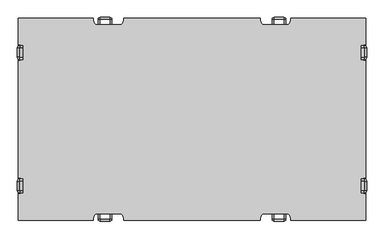
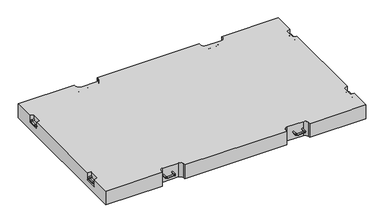
"""IFC4 building model written with IfcOpenShell, lengths in millimetres: proxy geometry."""

from ifc_helpers import new_model, si_unit, point, frame, origin, place, context, project, spatial, polyline, circle_curve, ellipse_curve, trimmed, source, transform, mapped, element, save
from ifc_brep_helpers import plane_surface, cylinder_surface, revolved_surface, advanced_brep


def generic_models_87fff968(model_context):
    return source(origin(), model_context, "Body", "AdvancedBrep", [
        advanced_brep(
        [(1456.8273434, 515.0, 115.0), (1456.8273434, 531.0, 115.0), (1485.0, 515.0, 115.0), (1485.0, 531.0, 115.0), (1489.0, 535.0, 115.0), (1505.0, 535.0, 115.0), (1505.0, 615.0, 115.0), (1489.0, 615.0, 115.0), (1485.0, 619.0, 115.0), (1485.0, 635.0, 115.0), (1456.8273434, 635.0, 115.0), (1456.8273434, 619.0, 115.0)],
        [
            (0, 1, circle_curve(frame((1456.8273434, 523.0, 115.0), z_axis=(-1.0, 0.0, 0.0), x_axis=(0.0, 1.0, 0.0)), 8.0)),
            (1, 0, circle_curve(frame((1456.8273434, 523.0, 115.0), z_axis=(-1.0, 0.0, 0.0), x_axis=(0.0, 1.0, 0.0)), 8.0)),
            (0, 2),
            (2, 3, circle_curve(frame((1485.0, 523.0, 115.0), z_axis=(-1.0, 0.0, 0.0), x_axis=(0.0, 1.0, 0.0)), 8.0)),
            (3, 1),
            (3, 2, circle_curve(frame((1485.0, 523.0, 115.0), z_axis=(-1.0, 0.0, 0.0), x_axis=(0.0, 1.0, 0.0)), 8.0)),
            (4, 3, circle_curve(frame((1485.0, 535.0, 115.0), z_axis=(0.0, 0.0, -1.0), x_axis=(0.0, -1.0, 0.0)), 4.0)),
            (2, 5, circle_curve(frame((1485.0, 535.0, 115.0), z_axis=(0.0, 0.0, 1.0), x_axis=(0.0, -1.0, 0.0)), 20.0)),
            (5, 4, circle_curve(frame((1497.0, 535.0, 115.0), z_axis=(0.0, -1.0, 0.0), x_axis=(-1.0, 0.0, 0.0)), 8.0)),
            (4, 5, circle_curve(frame((1497.0, 535.0, 115.0), z_axis=(0.0, -1.0, 0.0), x_axis=(-1.0, 0.0, 0.0)), 8.0)),
            (5, 6),
            (6, 7, circle_curve(frame((1497.0, 615.0, 115.0), z_axis=(0.0, -1.0, 0.0), x_axis=(-1.0, 0.0, 0.0)), 8.0)),
            (7, 4),
            (7, 6, circle_curve(frame((1497.0, 615.0, 115.0), z_axis=(0.0, -1.0, 0.0), x_axis=(-1.0, 0.0, 0.0)), 8.0)),
            (8, 7, circle_curve(frame((1485.0, 615.0, 115.0), z_axis=(0.0, 0.0, -1.0), x_axis=(1.0, 0.0, 0.0)), 4.0)),
            (6, 9, circle_curve(frame((1485.0, 615.0, 115.0), z_axis=(0.0, 0.0, 1.0), x_axis=(1.0, 0.0, 0.0)), 20.0)),
            (9, 8, circle_curve(frame((1485.0, 627.0, 115.0), z_axis=(1.0, 0.0, 0.0), x_axis=(0.0, -1.0, 0.0)), 8.0)),
            (8, 9, circle_curve(frame((1485.0, 627.0, 115.0), z_axis=(1.0, 0.0, 0.0), x_axis=(0.0, -1.0, 0.0)), 8.0)),
            (10, 11, circle_curve(frame((1456.8273434, 627.0, 115.0), z_axis=(-1.0, 0.0, 0.0), x_axis=(0.0, -1.0, 0.0)), 8.0)),
            (11, 10, circle_curve(frame((1456.8273434, 627.0, 115.0), z_axis=(-1.0, 0.0, 0.0), x_axis=(0.0, -1.0, 0.0)), 8.0)),
            (9, 10),
            (11, 8),
        ],
        [
            plane_surface(frame((1456.8273434, 515.0, 115.0), z_axis=(-1.0, 0.0, 0.0), x_axis=(0.0, 0.0, 1.0))),
            cylinder_surface(frame((1456.8273434, 523.0, 115.0), z_axis=(-1.0, 0.0, 0.0), x_axis=(0.0, 1.0, 0.0)), 8.0),
            revolved_surface(trimmed(ellipse_curve(frame((1485.0, 523.0, 115.0), z_axis=(-1.0, 0.0, 0.0), x_axis=(0.0, 1.0, 0.0)), 8.0, 8.0), [point((1485.0, 515.0, 115.0))], [point((1485.0, 531.0, 115.0))], True, "CARTESIAN"), (1485.0, 535.0, 115.0), (0.0, 0.0, 1.0)),
            revolved_surface(trimmed(ellipse_curve(frame((1485.0, 523.0, 115.0), z_axis=(-1.0, 0.0, 0.0), x_axis=(0.0, 1.0, 0.0)), 8.0, 8.0), [point((1485.0, 531.0, 115.0))], [point((1485.0, 515.0, 115.0))], True, "CARTESIAN"), (1485.0, 535.0, 115.0), (0.0, 0.0, 1.0)),
            cylinder_surface(frame((1497.0, 535.0, 115.0), z_axis=(0.0, -1.0, 0.0), x_axis=(-1.0, 0.0, 0.0)), 8.0),
            revolved_surface(trimmed(ellipse_curve(frame((1497.0, 615.0, 115.0), z_axis=(0.0, -1.0, 0.0), x_axis=(-1.0, 0.0, 0.0)), 8.0, 8.0), [point((1505.0, 615.0, 115.0))], [point((1489.0, 615.0, 115.0))], True, "CARTESIAN"), (1485.0, 615.0, 115.0), (0.0, 0.0, 1.0)),
            revolved_surface(trimmed(ellipse_curve(frame((1497.0, 615.0, 115.0), z_axis=(0.0, -1.0, 0.0), x_axis=(-1.0, 0.0, 0.0)), 8.0, 8.0), [point((1489.0, 615.0, 115.0))], [point((1505.0, 615.0, 115.0))], True, "CARTESIAN"), (1485.0, 615.0, 115.0), (0.0, 0.0, 1.0)),
            plane_surface(frame((1456.8273434, 635.0, 115.0), z_axis=(-1.0, 0.0, 0.0), x_axis=(0.0, 0.0, 1.0))),
            cylinder_surface(frame((1485.0, 627.0, 115.0), z_axis=(1.0, 0.0, 0.0), x_axis=(0.0, -1.0, 0.0)), 8.0),
        ],
        [
            (0, [[1, 2]]),
            (1, [[-1, 3, 4, 5]]),
            (1, [[-2, -5, 6, -3]]),
            (2, [[7, -4, 8, 9]]),
            (3, [[-8, -6, -7, 10]]),
            (4, [[-9, 11, 12, 13]]),
            (4, [[-10, -13, 14, -11]]),
            (5, [[15, -12, 16, 17]]),
            (6, [[-16, -14, -15, 18]]),
            (7, [[19, 20]]),
            (8, [[-17, 21, -20, 22]]),
            (8, [[-18, -22, -19, -21]]),
        ],
    ),
        advanced_brep(
        [(1456.8273434, -515.0, 115.0), (1456.8273434, -531.0, 115.0), (1485.0, -531.0, 115.0), (1485.0, -515.0, 115.0), (1489.0, -535.0, 115.0), (1505.0, -535.0, 115.0), (1489.0, -615.0, 115.0), (1505.0, -615.0, 115.0), (1485.0, -619.0, 115.0), (1485.0, -635.0, 115.0), (1456.8273434, -635.0, 115.0), (1456.8273434, -619.0, 115.0)],
        [
            (0, 1, circle_curve(frame((1456.8273434, -523.0, 115.0), z_axis=(-1.0, 0.0, 0.0), x_axis=(0.0, -1.0, 0.0)), 8.0)),
            (1, 0, circle_curve(frame((1456.8273434, -523.0, 115.0), z_axis=(-1.0, 0.0, 0.0), x_axis=(0.0, -1.0, 0.0)), 8.0)),
            (1, 2),
            (2, 3, circle_curve(frame((1485.0, -523.0, 115.0), z_axis=(-1.0, 0.0, 0.0), x_axis=(0.0, -1.0, 0.0)), 8.0)),
            (3, 0),
            (3, 2, circle_curve(frame((1485.0, -523.0, 115.0), z_axis=(-1.0, 0.0, 0.0), x_axis=(0.0, -1.0, 0.0)), 8.0)),
            (4, 5, circle_curve(frame((1497.0, -535.0, 115.0), z_axis=(0.0, 1.0, 0.0), x_axis=(-1.0, 0.0, 0.0)), 8.0)),
            (5, 3, circle_curve(frame((1485.0, -535.0, 115.0), z_axis=(0.0, 0.0, 1.0), x_axis=(0.0, 1.0, 0.0)), 20.0)),
            (2, 4, circle_curve(frame((1485.0, -535.0, 115.0), z_axis=(0.0, 0.0, -1.0), x_axis=(0.0, 1.0, 0.0)), 4.0)),
            (5, 4, circle_curve(frame((1497.0, -535.0, 115.0), z_axis=(0.0, 1.0, 0.0), x_axis=(-1.0, 0.0, 0.0)), 8.0)),
            (4, 6),
            (6, 7, circle_curve(frame((1497.0, -615.0, 115.0), z_axis=(0.0, 1.0, 0.0), x_axis=(-1.0, 0.0, 0.0)), 8.0)),
            (7, 5),
            (7, 6, circle_curve(frame((1497.0, -615.0, 115.0), z_axis=(0.0, 1.0, 0.0), x_axis=(-1.0, 0.0, 0.0)), 8.0)),
            (8, 9, circle_curve(frame((1485.0, -627.0, 115.0), z_axis=(1.0, 0.0, 0.0), x_axis=(0.0, 1.0, 0.0)), 8.0)),
            (9, 7, circle_curve(frame((1485.0, -615.0, 115.0), z_axis=(0.0, 0.0, 1.0), x_axis=(1.0, 0.0, 0.0)), 20.0)),
            (6, 8, circle_curve(frame((1485.0, -615.0, 115.0), z_axis=(0.0, 0.0, -1.0), x_axis=(1.0, 0.0, 0.0)), 4.0)),
            (9, 8, circle_curve(frame((1485.0, -627.0, 115.0), z_axis=(1.0, 0.0, 0.0), x_axis=(0.0, 1.0, 0.0)), 8.0)),
            (10, 11, circle_curve(frame((1456.8273434, -627.0, 115.0), z_axis=(-1.0, 0.0, 0.0), x_axis=(0.0, 1.0, 0.0)), 8.0)),
            (11, 10, circle_curve(frame((1456.8273434, -627.0, 115.0), z_axis=(-1.0, 0.0, 0.0), x_axis=(0.0, 1.0, 0.0)), 8.0)),
            (8, 11),
            (10, 9),
        ],
        [
            plane_surface(frame((1456.8273434, -515.0, 115.0), z_axis=(-1.0, 0.0, 0.0), x_axis=(0.0, 0.0, 1.0))),
            cylinder_surface(frame((1456.8273434, -523.0, 115.0), z_axis=(-1.0, 0.0, 0.0), x_axis=(0.0, -1.0, 0.0)), 8.0),
            revolved_surface(trimmed(ellipse_curve(frame((1485.0, -523.0, 115.0), z_axis=(1.0, 0.0, 0.0), x_axis=(0.0, -1.0, 0.0)), 8.0, 8.0), [point((1485.0, -515.0, 115.0))], [point((1485.0, -531.0, 115.0))], True, "CARTESIAN"), (1485.0, -535.0, 115.0), (0.0, 0.0, 1.0)),
            revolved_surface(trimmed(ellipse_curve(frame((1485.0, -523.0, 115.0), z_axis=(1.0, 0.0, 0.0), x_axis=(0.0, -1.0, 0.0)), 8.0, 8.0), [point((1485.0, -531.0, 115.0))], [point((1485.0, -515.0, 115.0))], True, "CARTESIAN"), (1485.0, -535.0, 115.0), (0.0, 0.0, 1.0)),
            cylinder_surface(frame((1497.0, -535.0, 115.0), z_axis=(0.0, 1.0, 0.0), x_axis=(-1.0, 0.0, 0.0)), 8.0),
            revolved_surface(trimmed(ellipse_curve(frame((1497.0, -615.0, 115.0), z_axis=(0.0, -1.0, 0.0), x_axis=(-1.0, 0.0, 0.0)), 8.0, 8.0), [point((1505.0, -615.0, 115.0))], [point((1489.0, -615.0, 115.0))], True, "CARTESIAN"), (1485.0, -615.0, 115.0), (0.0, 0.0, 1.0)),
            revolved_surface(trimmed(ellipse_curve(frame((1497.0, -615.0, 115.0), z_axis=(0.0, -1.0, 0.0), x_axis=(-1.0, 0.0, 0.0)), 8.0, 8.0), [point((1489.0, -615.0, 115.0))], [point((1505.0, -615.0, 115.0))], True, "CARTESIAN"), (1485.0, -615.0, 115.0), (0.0, 0.0, 1.0)),
            plane_surface(frame((1456.8273434, -635.0, 115.0), z_axis=(-1.0, 0.0, 0.0), x_axis=(0.0, 0.0, 1.0))),
            cylinder_surface(frame((1485.0, -627.0, 115.0), z_axis=(1.0, 0.0, 0.0), x_axis=(0.0, 1.0, 0.0)), 8.0),
        ],
        [
            (0, [[1, 2]]),
            (1, [[3, 4, 5, -2]]),
            (1, [[-5, 6, -3, -1]]),
            (2, [[7, 8, -4, 9]]),
            (3, [[10, -9, -6, -8]]),
            (4, [[11, 12, 13, -7]]),
            (4, [[-13, 14, -11, -10]]),
            (5, [[15, 16, -12, 17]]),
            (6, [[18, -17, -14, -16]]),
            (7, [[19, 20]]),
            (8, [[21, -19, 22, -15]]),
            (8, [[-22, -20, -21, -18]]),
        ],
    ),
        advanced_brep(
        [(-1456.8273434, 515.0, 115.0), (-1456.8273434, 531.0, 115.0), (-1485.0, 531.0, 115.0), (-1485.0, 515.0, 115.0), (-1489.0, 535.0, 115.0), (-1505.0, 535.0, 115.0), (-1489.0, 615.0, 115.0), (-1505.0, 615.0, 115.0), (-1485.0, 619.0, 115.0), (-1485.0, 635.0, 115.0), (-1456.8273434, 635.0, 115.0), (-1456.8273434, 619.0, 115.0)],
        [
            (0, 1, circle_curve(frame((-1456.8273434, 523.0, 115.0), z_axis=(1.0, 0.0, 0.0), x_axis=(0.0, 1.0, 0.0)), 8.0)),
            (1, 0, circle_curve(frame((-1456.8273434, 523.0, 115.0), z_axis=(1.0, 0.0, 0.0), x_axis=(0.0, 1.0, 0.0)), 8.0)),
            (1, 2),
            (2, 3, circle_curve(frame((-1485.0, 523.0, 115.0), z_axis=(1.0, 0.0, 0.0), x_axis=(0.0, 1.0, 0.0)), 8.0)),
            (3, 0),
            (3, 2, circle_curve(frame((-1485.0, 523.0, 115.0), z_axis=(1.0, 0.0, 0.0), x_axis=(0.0, 1.0, 0.0)), 8.0)),
            (4, 5, circle_curve(frame((-1497.0, 535.0, 115.0), z_axis=(0.0, -1.0, 0.0), x_axis=(1.0, 0.0, 0.0)), 8.0)),
            (5, 3, circle_curve(frame((-1485.0, 535.0, 115.0), z_axis=(0.0, 0.0, 1.0), x_axis=(0.0, -1.0, 0.0)), 20.0)),
            (2, 4, circle_curve(frame((-1485.0, 535.0, 115.0), z_axis=(0.0, 0.0, -1.0), x_axis=(0.0, -1.0, 0.0)), 4.0)),
            (5, 4, circle_curve(frame((-1497.0, 535.0, 115.0), z_axis=(0.0, -1.0, 0.0), x_axis=(1.0, 0.0, 0.0)), 8.0)),
            (4, 6),
            (6, 7, circle_curve(frame((-1497.0, 615.0, 115.0), z_axis=(0.0, -1.0, 0.0), x_axis=(1.0, 0.0, 0.0)), 8.0)),
            (7, 5),
            (7, 6, circle_curve(frame((-1497.0, 615.0, 115.0), z_axis=(0.0, -1.0, 0.0), x_axis=(1.0, 0.0, 0.0)), 8.0)),
            (8, 9, circle_curve(frame((-1485.0, 627.0, 115.0), z_axis=(-1.0, 0.0, 0.0), x_axis=(0.0, -1.0, 0.0)), 8.0)),
            (9, 7, circle_curve(frame((-1485.0, 615.0, 115.0), z_axis=(0.0, 0.0, 1.0), x_axis=(-1.0, 0.0, 0.0)), 20.0)),
            (6, 8, circle_curve(frame((-1485.0, 615.0, 115.0), z_axis=(0.0, 0.0, -1.0), x_axis=(-1.0, 0.0, 0.0)), 4.0)),
            (9, 8, circle_curve(frame((-1485.0, 627.0, 115.0), z_axis=(-1.0, 0.0, 0.0), x_axis=(0.0, -1.0, 0.0)), 8.0)),
            (10, 11, circle_curve(frame((-1456.8273434, 627.0, 115.0), z_axis=(1.0, 0.0, 0.0), x_axis=(0.0, -1.0, 0.0)), 8.0)),
            (11, 10, circle_curve(frame((-1456.8273434, 627.0, 115.0), z_axis=(1.0, 0.0, 0.0), x_axis=(0.0, -1.0, 0.0)), 8.0)),
            (8, 11),
            (10, 9),
        ],
        [
            plane_surface(frame((-1456.8273434, 515.0, 115.0), z_axis=(1.0, 0.0, 0.0), x_axis=(0.0, 0.0, 1.0))),
            cylinder_surface(frame((-1456.8273434, 523.0, 115.0), z_axis=(1.0, 0.0, 0.0), x_axis=(0.0, 1.0, 0.0)), 8.0),
            revolved_surface(trimmed(ellipse_curve(frame((-1485.0, 523.0, 115.0), z_axis=(-1.0, 0.0, 0.0), x_axis=(0.0, 1.0, 0.0)), 8.0, 8.0), [point((-1485.0, 515.0, 115.0))], [point((-1485.0, 531.0, 115.0))], True, "CARTESIAN"), (-1485.0, 535.0, 115.0), (0.0, 0.0, 1.0)),
            revolved_surface(trimmed(ellipse_curve(frame((-1485.0, 523.0, 115.0), z_axis=(-1.0, 0.0, 0.0), x_axis=(0.0, 1.0, 0.0)), 8.0, 8.0), [point((-1485.0, 531.0, 115.0))], [point((-1485.0, 515.0, 115.0))], True, "CARTESIAN"), (-1485.0, 535.0, 115.0), (0.0, 0.0, 1.0)),
            cylinder_surface(frame((-1497.0, 535.0, 115.0), z_axis=(0.0, -1.0, 0.0), x_axis=(1.0, 0.0, 0.0)), 8.0),
            revolved_surface(trimmed(ellipse_curve(frame((-1497.0, 615.0, 115.0), z_axis=(0.0, 1.0, 0.0), x_axis=(1.0, 0.0, 0.0)), 8.0, 8.0), [point((-1505.0, 615.0, 115.0))], [point((-1489.0, 615.0, 115.0))], True, "CARTESIAN"), (-1485.0, 615.0, 115.0), (0.0, 0.0, 1.0)),
            revolved_surface(trimmed(ellipse_curve(frame((-1497.0, 615.0, 115.0), z_axis=(0.0, 1.0, 0.0), x_axis=(1.0, 0.0, 0.0)), 8.0, 8.0), [point((-1489.0, 615.0, 115.0))], [point((-1505.0, 615.0, 115.0))], True, "CARTESIAN"), (-1485.0, 615.0, 115.0), (0.0, 0.0, 1.0)),
            plane_surface(frame((-1456.8273434, 635.0, 115.0), z_axis=(1.0, 0.0, 0.0), x_axis=(0.0, 0.0, 1.0))),
            cylinder_surface(frame((-1485.0, 627.0, 115.0), z_axis=(-1.0, 0.0, 0.0), x_axis=(0.0, -1.0, 0.0)), 8.0),
        ],
        [
            (0, [[1, 2]]),
            (1, [[3, 4, 5, -2]]),
            (1, [[-5, 6, -3, -1]]),
            (2, [[7, 8, -4, 9]]),
            (3, [[10, -9, -6, -8]]),
            (4, [[11, 12, 13, -7]]),
            (4, [[-13, 14, -11, -10]]),
            (5, [[15, 16, -12, 17]]),
            (6, [[18, -17, -14, -16]]),
            (7, [[19, 20]]),
            (8, [[21, -19, 22, -15]]),
            (8, [[-22, -20, -21, -18]]),
        ],
    ),
        advanced_brep(
        [(-1456.8273434, -515.0, 115.0), (-1456.8273434, -531.0, 115.0), (-1485.0, -515.0, 115.0), (-1485.0, -531.0, 115.0), (-1489.0, -535.0, 115.0), (-1505.0, -535.0, 115.0), (-1505.0, -615.0, 115.0), (-1489.0, -615.0, 115.0), (-1485.0, -619.0, 115.0), (-1485.0, -635.0, 115.0), (-1456.8273434, -635.0, 115.0), (-1456.8273434, -619.0, 115.0)],
        [
            (0, 1, circle_curve(frame((-1456.8273434, -523.0, 115.0), z_axis=(1.0, 0.0, 0.0), x_axis=(0.0, -1.0, 0.0)), 8.0)),
            (1, 0, circle_curve(frame((-1456.8273434, -523.0, 115.0), z_axis=(1.0, 0.0, 0.0), x_axis=(0.0, -1.0, 0.0)), 8.0)),
            (0, 2),
            (2, 3, circle_curve(frame((-1485.0, -523.0, 115.0), z_axis=(1.0, 0.0, 0.0), x_axis=(0.0, -1.0, 0.0)), 8.0)),
            (3, 1),
            (3, 2, circle_curve(frame((-1485.0, -523.0, 115.0), z_axis=(1.0, 0.0, 0.0), x_axis=(0.0, -1.0, 0.0)), 8.0)),
            (4, 3, circle_curve(frame((-1485.0, -535.0, 115.0), z_axis=(0.0, 0.0, -1.0), x_axis=(0.0, 1.0, 0.0)), 4.0)),
            (2, 5, circle_curve(frame((-1485.0, -535.0, 115.0), z_axis=(0.0, 0.0, 1.0), x_axis=(0.0, 1.0, 0.0)), 20.0)),
            (5, 4, circle_curve(frame((-1497.0, -535.0, 115.0), z_axis=(0.0, 1.0, 0.0), x_axis=(1.0, 0.0, 0.0)), 8.0)),
            (4, 5, circle_curve(frame((-1497.0, -535.0, 115.0), z_axis=(0.0, 1.0, 0.0), x_axis=(1.0, 0.0, 0.0)), 8.0)),
            (5, 6),
            (6, 7, circle_curve(frame((-1497.0, -615.0, 115.0), z_axis=(0.0, 1.0, 0.0), x_axis=(1.0, 0.0, 0.0)), 8.0)),
            (7, 4),
            (7, 6, circle_curve(frame((-1497.0, -615.0, 115.0), z_axis=(0.0, 1.0, 0.0), x_axis=(1.0, 0.0, 0.0)), 8.0)),
            (8, 7, circle_curve(frame((-1485.0, -615.0, 115.0), z_axis=(0.0, 0.0, -1.0), x_axis=(-1.0, 0.0, 0.0)), 4.0)),
            (6, 9, circle_curve(frame((-1485.0, -615.0, 115.0), z_axis=(0.0, 0.0, 1.0), x_axis=(-1.0, 0.0, 0.0)), 20.0)),
            (9, 8, circle_curve(frame((-1485.0, -627.0, 115.0), z_axis=(-1.0, 0.0, 0.0), x_axis=(0.0, 1.0, 0.0)), 8.0)),
            (8, 9, circle_curve(frame((-1485.0, -627.0, 115.0), z_axis=(-1.0, 0.0, 0.0), x_axis=(0.0, 1.0, 0.0)), 8.0)),
            (10, 11, circle_curve(frame((-1456.8273434, -627.0, 115.0), z_axis=(1.0, 0.0, 0.0), x_axis=(0.0, 1.0, 0.0)), 8.0)),
            (11, 10, circle_curve(frame((-1456.8273434, -627.0, 115.0), z_axis=(1.0, 0.0, 0.0), x_axis=(0.0, 1.0, 0.0)), 8.0)),
            (9, 10),
            (11, 8),
        ],
        [
            plane_surface(frame((-1456.8273434, -515.0, 115.0), z_axis=(1.0, 0.0, 0.0), x_axis=(0.0, 0.0, 1.0))),
            cylinder_surface(frame((-1456.8273434, -523.0, 115.0), z_axis=(1.0, 0.0, 0.0), x_axis=(0.0, -1.0, 0.0)), 8.0),
            revolved_surface(trimmed(ellipse_curve(frame((-1485.0, -523.0, 115.0), z_axis=(1.0, 0.0, 0.0), x_axis=(0.0, -1.0, 0.0)), 8.0, 8.0), [point((-1485.0, -515.0, 115.0))], [point((-1485.0, -531.0, 115.0))], True, "CARTESIAN"), (-1485.0, -535.0, 115.0), (0.0, 0.0, 1.0)),
            revolved_surface(trimmed(ellipse_curve(frame((-1485.0, -523.0, 115.0), z_axis=(1.0, 0.0, 0.0), x_axis=(0.0, -1.0, 0.0)), 8.0, 8.0), [point((-1485.0, -531.0, 115.0))], [point((-1485.0, -515.0, 115.0))], True, "CARTESIAN"), (-1485.0, -535.0, 115.0), (0.0, 0.0, 1.0)),
            cylinder_surface(frame((-1497.0, -535.0, 115.0), z_axis=(0.0, 1.0, 0.0), x_axis=(1.0, 0.0, 0.0)), 8.0),
            revolved_surface(trimmed(ellipse_curve(frame((-1497.0, -615.0, 115.0), z_axis=(0.0, 1.0, 0.0), x_axis=(1.0, 0.0, 0.0)), 8.0, 8.0), [point((-1505.0, -615.0, 115.0))], [point((-1489.0, -615.0, 115.0))], True, "CARTESIAN"), (-1485.0, -615.0, 115.0), (0.0, 0.0, 1.0)),
            revolved_surface(trimmed(ellipse_curve(frame((-1497.0, -615.0, 115.0), z_axis=(0.0, 1.0, 0.0), x_axis=(1.0, 0.0, 0.0)), 8.0, 8.0), [point((-1489.0, -615.0, 115.0))], [point((-1505.0, -615.0, 115.0))], True, "CARTESIAN"), (-1485.0, -615.0, 115.0), (0.0, 0.0, 1.0)),
            plane_surface(frame((-1456.8273434, -635.0, 115.0), z_axis=(1.0, 0.0, 0.0), x_axis=(0.0, 0.0, 1.0))),
            cylinder_surface(frame((-1485.0, -627.0, 115.0), z_axis=(-1.0, 0.0, 0.0), x_axis=(0.0, 1.0, 0.0)), 8.0),
        ],
        [
            (0, [[1, 2]]),
            (1, [[-1, 3, 4, 5]]),
            (1, [[-2, -5, 6, -3]]),
            (2, [[7, -4, 8, 9]]),
            (3, [[-8, -6, -7, 10]]),
            (4, [[-9, 11, 12, 13]]),
            (4, [[-10, -13, 14, -11]]),
            (5, [[15, -12, 16, 17]]),
            (6, [[-16, -14, -15, 18]]),
            (7, [[19, 20]]),
            (8, [[-17, 21, -20, 22]]),
            (8, [[-18, -22, -19, -21]]),
        ],
    ),
        advanced_brep(
        [(810.0, 815.0, 85.0), (794.0, 815.0, 85.0), (810.0, 860.0, 85.0), (794.0, 860.0, 85.0), (790.0, 864.0, 85.0), (790.0, 880.0, 85.0), (710.0, 880.0, 85.0), (710.0, 864.0, 85.0), (690.0, 815.0, 85.0), (706.0, 815.0, 85.0), (706.0, 860.0, 85.0), (690.0, 860.0, 85.0)],
        [
            (0, 1, circle_curve(frame((802.0, 815.0, 85.0), z_axis=(0.0, -1.0, 0.0), x_axis=(-1.0, 0.0, 0.0)), 8.0)),
            (1, 0, circle_curve(frame((802.0, 815.0, 85.0), z_axis=(0.0, -1.0, 0.0), x_axis=(-1.0, 0.0, 0.0)), 8.0)),
            (0, 2),
            (2, 3, circle_curve(frame((802.0, 860.0, 85.0), z_axis=(0.0, -1.0, 0.0), x_axis=(-1.0, 0.0, 0.0)), 8.0)),
            (3, 1),
            (3, 2, circle_curve(frame((802.0, 860.0, 85.0), z_axis=(0.0, -1.0, 0.0), x_axis=(-1.0, 0.0, 0.0)), 8.0)),
            (4, 5, circle_curve(frame((790.0, 872.0, 85.0), z_axis=(-1.0, 0.0, 0.0), x_axis=(0.0, -1.0, 0.0)), 8.0)),
            (5, 6),
            (6, 7, circle_curve(frame((710.0, 872.0, 85.0), z_axis=(1.0, 0.0, 0.0), x_axis=(0.0, -1.0, 0.0)), 8.0)),
            (7, 4),
            (5, 4, circle_curve(frame((790.0, 872.0, 85.0), z_axis=(-1.0, 0.0, 0.0), x_axis=(0.0, -1.0, 0.0)), 8.0)),
            (7, 6, circle_curve(frame((710.0, 872.0, 85.0), z_axis=(1.0, 0.0, 0.0), x_axis=(0.0, -1.0, 0.0)), 8.0)),
            (8, 9, circle_curve(frame((698.0, 815.0, 85.0), z_axis=(0.0, -1.0, 0.0), x_axis=(1.0, 0.0, 0.0)), 8.0)),
            (9, 8, circle_curve(frame((698.0, 815.0, 85.0), z_axis=(0.0, -1.0, 0.0), x_axis=(1.0, 0.0, 0.0)), 8.0)),
            (10, 11, circle_curve(frame((698.0, 860.0, 85.0), z_axis=(0.0, -1.0, 0.0), x_axis=(1.0, 0.0, 0.0)), 8.0)),
            (11, 8),
            (9, 10),
            (11, 10, circle_curve(frame((698.0, 860.0, 85.0), z_axis=(0.0, -1.0, 0.0), x_axis=(1.0, 0.0, 0.0)), 8.0)),
            (4, 3, circle_curve(frame((790.0, 860.0, 85.0), z_axis=(0.0, 0.0, -1.0), x_axis=(1.0, 0.0, 0.0)), 4.0)),
            (2, 5, circle_curve(frame((790.0, 860.0, 85.0), z_axis=(0.0, 0.0, 1.0), x_axis=(1.0, 0.0, 0.0)), 20.0)),
            (10, 7, circle_curve(frame((710.0, 860.0, 85.0), z_axis=(0.0, 0.0, -1.0), x_axis=(0.0, 1.0, 0.0)), 4.0)),
            (6, 11, circle_curve(frame((710.0, 860.0, 85.0), z_axis=(0.0, 0.0, 1.0), x_axis=(0.0, 1.0, 0.0)), 20.0)),
        ],
        [
            plane_surface(frame((810.0, 815.0, 85.0), z_axis=(0.0, -1.0, 0.0), x_axis=(0.0, 0.0, 1.0))),
            cylinder_surface(frame((802.0, 815.0, 85.0), z_axis=(0.0, -1.0, 0.0), x_axis=(-1.0, 0.0, 0.0)), 8.0),
            cylinder_surface(frame((790.0, 872.0, 85.0), z_axis=(1.0, 0.0, 0.0), x_axis=(0.0, -1.0, 0.0)), 8.0),
            plane_surface(frame((690.0, 815.0, 85.0), z_axis=(0.0, -1.0, 0.0), x_axis=(0.0, 0.0, 1.0))),
            cylinder_surface(frame((698.0, 860.0, 85.0), z_axis=(0.0, 1.0, 0.0), x_axis=(1.0, 0.0, 0.0)), 8.0),
            revolved_surface(trimmed(ellipse_curve(frame((802.0, 860.0, 85.0), z_axis=(0.0, -1.0, 0.0), x_axis=(-1.0, 0.0, 0.0)), 8.0, 8.0), [point((810.0, 860.0, 85.0))], [point((794.0, 860.0, 85.0))], True, "CARTESIAN"), (790.0, 860.0, 85.0), (0.0, 0.0, 1.0)),
            revolved_surface(trimmed(ellipse_curve(frame((802.0, 860.0, 85.0), z_axis=(0.0, -1.0, 0.0), x_axis=(-1.0, 0.0, 0.0)), 8.0, 8.0), [point((794.0, 860.0, 85.0))], [point((810.0, 860.0, 85.0))], True, "CARTESIAN"), (790.0, 860.0, 85.0), (0.0, 0.0, 1.0)),
            revolved_surface(trimmed(ellipse_curve(frame((710.0, 872.0, 85.0), z_axis=(1.0, 0.0, 0.0), x_axis=(0.0, -1.0, 0.0)), 8.0, 8.0), [point((710.0, 880.0, 85.0))], [point((710.0, 864.0, 85.0))], True, "CARTESIAN"), (710.0, 860.0, 85.0), (0.0, 0.0, 1.0)),
            revolved_surface(trimmed(ellipse_curve(frame((710.0, 872.0, 85.0), z_axis=(1.0, 0.0, 0.0), x_axis=(0.0, -1.0, 0.0)), 8.0, 8.0), [point((710.0, 864.0, 85.0))], [point((710.0, 880.0, 85.0))], True, "CARTESIAN"), (710.0, 860.0, 85.0), (0.0, 0.0, 1.0)),
        ],
        [
            (0, [[1, 2]]),
            (1, [[-1, 3, 4, 5]]),
            (1, [[-2, -5, 6, -3]]),
            (2, [[7, 8, 9, 10]]),
            (2, [[11, -10, 12, -8]]),
            (3, [[13, 14]]),
            (4, [[15, 16, -14, 17]]),
            (4, [[18, -17, -13, -16]]),
            (5, [[19, -4, 20, -7]]),
            (6, [[-20, -6, -19, -11]]),
            (7, [[21, -9, 22, -15]]),
            (8, [[-22, -12, -21, -18]]),
        ],
    ),
        advanced_brep(
        [(-810.0, 815.0, 85.0), (-794.0, 815.0, 85.0), (-794.0, 860.0, 85.0), (-810.0, 860.0, 85.0), (-790.0, 864.0, 85.0), (-710.0, 864.0, 85.0), (-710.0, 880.0, 85.0), (-790.0, 880.0, 85.0), (-690.0, 815.0, 85.0), (-706.0, 815.0, 85.0), (-706.0, 860.0, 85.0), (-690.0, 860.0, 85.0)],
        [
            (0, 1, circle_curve(frame((-802.0, 815.0, 85.0), z_axis=(0.0, -1.0, 0.0), x_axis=(1.0, 0.0, 0.0)), 8.0)),
            (1, 0, circle_curve(frame((-802.0, 815.0, 85.0), z_axis=(0.0, -1.0, 0.0), x_axis=(1.0, 0.0, 0.0)), 8.0)),
            (1, 2),
            (2, 3, circle_curve(frame((-802.0, 860.0, 85.0), z_axis=(0.0, -1.0, 0.0), x_axis=(1.0, 0.0, 0.0)), 8.0)),
            (3, 0),
            (3, 2, circle_curve(frame((-802.0, 860.0, 85.0), z_axis=(0.0, -1.0, 0.0), x_axis=(1.0, 0.0, 0.0)), 8.0)),
            (4, 5),
            (5, 6, circle_curve(frame((-710.0, 872.0, 85.0), z_axis=(-1.0, 0.0, 0.0), x_axis=(0.0, -1.0, 0.0)), 8.0)),
            (6, 7),
            (7, 4, circle_curve(frame((-790.0, 872.0, 85.0), z_axis=(1.0, 0.0, 0.0), x_axis=(0.0, -1.0, 0.0)), 8.0)),
            (6, 5, circle_curve(frame((-710.0, 872.0, 85.0), z_axis=(-1.0, 0.0, 0.0), x_axis=(0.0, -1.0, 0.0)), 8.0)),
            (4, 7, circle_curve(frame((-790.0, 872.0, 85.0), z_axis=(1.0, 0.0, 0.0), x_axis=(0.0, -1.0, 0.0)), 8.0)),
            (8, 9, circle_curve(frame((-698.0, 815.0, 85.0), z_axis=(0.0, -1.0, 0.0), x_axis=(-1.0, 0.0, 0.0)), 8.0)),
            (9, 8, circle_curve(frame((-698.0, 815.0, 85.0), z_axis=(0.0, -1.0, 0.0), x_axis=(-1.0, 0.0, 0.0)), 8.0)),
            (10, 9),
            (8, 11),
            (11, 10, circle_curve(frame((-698.0, 860.0, 85.0), z_axis=(0.0, -1.0, 0.0), x_axis=(-1.0, 0.0, 0.0)), 8.0)),
            (10, 11, circle_curve(frame((-698.0, 860.0, 85.0), z_axis=(0.0, -1.0, 0.0), x_axis=(-1.0, 0.0, 0.0)), 8.0)),
            (7, 3, circle_curve(frame((-790.0, 860.0, 85.0), z_axis=(0.0, 0.0, 1.0), x_axis=(-1.0, 0.0, 0.0)), 20.0)),
            (2, 4, circle_curve(frame((-790.0, 860.0, 85.0), z_axis=(0.0, 0.0, -1.0), x_axis=(-1.0, 0.0, 0.0)), 4.0)),
            (11, 6, circle_curve(frame((-710.0, 860.0, 85.0), z_axis=(0.0, 0.0, 1.0), x_axis=(0.0, 1.0, 0.0)), 20.0)),
            (5, 10, circle_curve(frame((-710.0, 860.0, 85.0), z_axis=(0.0, 0.0, -1.0), x_axis=(0.0, 1.0, 0.0)), 4.0)),
        ],
        [
            plane_surface(frame((-810.0, 815.0, 85.0), z_axis=(0.0, -1.0, 0.0), x_axis=(0.0, 0.0, 1.0))),
            cylinder_surface(frame((-802.0, 815.0, 85.0), z_axis=(0.0, -1.0, 0.0), x_axis=(1.0, 0.0, 0.0)), 8.0),
            cylinder_surface(frame((-790.0, 872.0, 85.0), z_axis=(-1.0, 0.0, 0.0), x_axis=(0.0, -1.0, 0.0)), 8.0),
            plane_surface(frame((-690.0, 815.0, 85.0), z_axis=(0.0, -1.0, 0.0), x_axis=(0.0, 0.0, 1.0))),
            cylinder_surface(frame((-698.0, 860.0, 85.0), z_axis=(0.0, 1.0, 0.0), x_axis=(-1.0, 0.0, 0.0)), 8.0),
            revolved_surface(trimmed(ellipse_curve(frame((-802.0, 860.0, 85.0), z_axis=(0.0, 1.0, 0.0), x_axis=(1.0, 0.0, 0.0)), 8.0, 8.0), [point((-810.0, 860.0, 85.0))], [point((-794.0, 860.0, 85.0))], True, "CARTESIAN"), (-790.0, 860.0, 85.0), (0.0, 0.0, 1.0)),
            revolved_surface(trimmed(ellipse_curve(frame((-802.0, 860.0, 85.0), z_axis=(0.0, 1.0, 0.0), x_axis=(1.0, 0.0, 0.0)), 8.0, 8.0), [point((-794.0, 860.0, 85.0))], [point((-810.0, 860.0, 85.0))], True, "CARTESIAN"), (-790.0, 860.0, 85.0), (0.0, 0.0, 1.0)),
            revolved_surface(trimmed(ellipse_curve(frame((-710.0, 872.0, 85.0), z_axis=(1.0, 0.0, 0.0), x_axis=(0.0, -1.0, 0.0)), 8.0, 8.0), [point((-710.0, 880.0, 85.0))], [point((-710.0, 864.0, 85.0))], True, "CARTESIAN"), (-710.0, 860.0, 85.0), (0.0, 0.0, 1.0)),
            revolved_surface(trimmed(ellipse_curve(frame((-710.0, 872.0, 85.0), z_axis=(1.0, 0.0, 0.0), x_axis=(0.0, -1.0, 0.0)), 8.0, 8.0), [point((-710.0, 864.0, 85.0))], [point((-710.0, 880.0, 85.0))], True, "CARTESIAN"), (-710.0, 860.0, 85.0), (0.0, 0.0, 1.0)),
        ],
        [
            (0, [[1, 2]]),
            (1, [[3, 4, 5, -2]]),
            (1, [[-5, 6, -3, -1]]),
            (2, [[7, 8, 9, 10]]),
            (2, [[-9, 11, -7, 12]]),
            (3, [[13, 14]]),
            (4, [[15, -13, 16, 17]]),
            (4, [[-16, -14, -15, 18]]),
            (5, [[-10, 19, -4, 20]]),
            (6, [[-12, -20, -6, -19]]),
            (7, [[-17, 21, -8, 22]]),
            (8, [[-18, -22, -11, -21]]),
        ],
    ),
        advanced_brep(
        [(810.0, -815.0, 85.0), (794.0, -815.0, 85.0), (794.0, -860.0, 85.0), (810.0, -860.0, 85.0), (790.0, -864.0, 85.0), (710.0, -864.0, 85.0), (710.0, -880.0, 85.0), (790.0, -880.0, 85.0), (690.0, -815.0, 85.0), (706.0, -815.0, 85.0), (706.0, -860.0, 85.0), (690.0, -860.0, 85.0)],
        [
            (0, 1, circle_curve(frame((802.0, -815.0, 85.0), z_axis=(0.0, 1.0, 0.0), x_axis=(-1.0, 0.0, 0.0)), 8.0)),
            (1, 0, circle_curve(frame((802.0, -815.0, 85.0), z_axis=(0.0, 1.0, 0.0), x_axis=(-1.0, 0.0, 0.0)), 8.0)),
            (1, 2),
            (2, 3, circle_curve(frame((802.0, -860.0, 85.0), z_axis=(0.0, 1.0, 0.0), x_axis=(-1.0, 0.0, 0.0)), 8.0)),
            (3, 0),
            (3, 2, circle_curve(frame((802.0, -860.0, 85.0), z_axis=(0.0, 1.0, 0.0), x_axis=(-1.0, 0.0, 0.0)), 8.0)),
            (4, 5),
            (5, 6, circle_curve(frame((710.0, -872.0, 85.0), z_axis=(1.0, 0.0, 0.0), x_axis=(0.0, 1.0, 0.0)), 8.0)),
            (6, 7),
            (7, 4, circle_curve(frame((790.0, -872.0, 85.0), z_axis=(-1.0, 0.0, 0.0), x_axis=(0.0, 1.0, 0.0)), 8.0)),
            (6, 5, circle_curve(frame((710.0, -872.0, 85.0), z_axis=(1.0, 0.0, 0.0), x_axis=(0.0, 1.0, 0.0)), 8.0)),
            (4, 7, circle_curve(frame((790.0, -872.0, 85.0), z_axis=(-1.0, 0.0, 0.0), x_axis=(0.0, 1.0, 0.0)), 8.0)),
            (8, 9, circle_curve(frame((698.0, -815.0, 85.0), z_axis=(0.0, 1.0, 0.0), x_axis=(1.0, 0.0, 0.0)), 8.0)),
            (9, 8, circle_curve(frame((698.0, -815.0, 85.0), z_axis=(0.0, 1.0, 0.0), x_axis=(1.0, 0.0, 0.0)), 8.0)),
            (10, 9),
            (8, 11),
            (11, 10, circle_curve(frame((698.0, -860.0, 85.0), z_axis=(0.0, 1.0, 0.0), x_axis=(1.0, 0.0, 0.0)), 8.0)),
            (10, 11, circle_curve(frame((698.0, -860.0, 85.0), z_axis=(0.0, 1.0, 0.0), x_axis=(1.0, 0.0, 0.0)), 8.0)),
            (7, 3, circle_curve(frame((790.0, -860.0, 85.0), z_axis=(0.0, 0.0, 1.0), x_axis=(1.0, 0.0, 0.0)), 20.0)),
            (2, 4, circle_curve(frame((790.0, -860.0, 85.0), z_axis=(0.0, 0.0, -1.0), x_axis=(1.0, 0.0, 0.0)), 4.0)),
            (11, 6, circle_curve(frame((710.0, -860.0, 85.0), z_axis=(0.0, 0.0, 1.0), x_axis=(0.0, -1.0, 0.0)), 20.0)),
            (5, 10, circle_curve(frame((710.0, -860.0, 85.0), z_axis=(0.0, 0.0, -1.0), x_axis=(0.0, -1.0, 0.0)), 4.0)),
        ],
        [
            plane_surface(frame((810.0, -815.0, 85.0), z_axis=(0.0, 1.0, 0.0), x_axis=(0.0, 0.0, 1.0))),
            cylinder_surface(frame((802.0, -815.0, 85.0), z_axis=(0.0, 1.0, 0.0), x_axis=(-1.0, 0.0, 0.0)), 8.0),
            cylinder_surface(frame((790.0, -872.0, 85.0), z_axis=(1.0, 0.0, 0.0), x_axis=(0.0, 1.0, 0.0)), 8.0),
            plane_surface(frame((690.0, -815.0, 85.0), z_axis=(0.0, 1.0, 0.0), x_axis=(0.0, 0.0, 1.0))),
            cylinder_surface(frame((698.0, -860.0, 85.0), z_axis=(0.0, -1.0, 0.0), x_axis=(1.0, 0.0, 0.0)), 8.0),
            revolved_surface(trimmed(ellipse_curve(frame((802.0, -860.0, 85.0), z_axis=(0.0, -1.0, 0.0), x_axis=(-1.0, 0.0, 0.0)), 8.0, 8.0), [point((810.0, -860.0, 85.0))], [point((794.0, -860.0, 85.0))], True, "CARTESIAN"), (790.0, -860.0, 85.0), (0.0, 0.0, 1.0)),
            revolved_surface(trimmed(ellipse_curve(frame((802.0, -860.0, 85.0), z_axis=(0.0, -1.0, 0.0), x_axis=(-1.0, 0.0, 0.0)), 8.0, 8.0), [point((794.0, -860.0, 85.0))], [point((810.0, -860.0, 85.0))], True, "CARTESIAN"), (790.0, -860.0, 85.0), (0.0, 0.0, 1.0)),
            revolved_surface(trimmed(ellipse_curve(frame((710.0, -872.0, 85.0), z_axis=(-1.0, 0.0, 0.0), x_axis=(0.0, 1.0, 0.0)), 8.0, 8.0), [point((710.0, -880.0, 85.0))], [point((710.0, -864.0, 85.0))], True, "CARTESIAN"), (710.0, -860.0, 85.0), (0.0, 0.0, 1.0)),
            revolved_surface(trimmed(ellipse_curve(frame((710.0, -872.0, 85.0), z_axis=(-1.0, 0.0, 0.0), x_axis=(0.0, 1.0, 0.0)), 8.0, 8.0), [point((710.0, -864.0, 85.0))], [point((710.0, -880.0, 85.0))], True, "CARTESIAN"), (710.0, -860.0, 85.0), (0.0, 0.0, 1.0)),
        ],
        [
            (0, [[1, 2]]),
            (1, [[3, 4, 5, -2]]),
            (1, [[-5, 6, -3, -1]]),
            (2, [[7, 8, 9, 10]]),
            (2, [[-9, 11, -7, 12]]),
            (3, [[13, 14]]),
            (4, [[15, -13, 16, 17]]),
            (4, [[-16, -14, -15, 18]]),
            (5, [[-10, 19, -4, 20]]),
            (6, [[-12, -20, -6, -19]]),
            (7, [[-17, 21, -8, 22]]),
            (8, [[-18, -22, -11, -21]]),
        ],
    ),
        advanced_brep(
        [(-810.0, -815.0, 85.0), (-794.0, -815.0, 85.0), (-810.0, -860.0, 85.0), (-794.0, -860.0, 85.0), (-790.0, -864.0, 85.0), (-790.0, -880.0, 85.0), (-710.0, -880.0, 85.0), (-710.0, -864.0, 85.0), (-690.0, -815.0, 85.0), (-706.0, -815.0, 85.0), (-706.0, -860.0, 85.0), (-690.0, -860.0, 85.0)],
        [
            (0, 1, circle_curve(frame((-802.0, -815.0, 85.0), z_axis=(0.0, 1.0, 0.0), x_axis=(1.0, 0.0, 0.0)), 8.0)),
            (1, 0, circle_curve(frame((-802.0, -815.0, 85.0), z_axis=(0.0, 1.0, 0.0), x_axis=(1.0, 0.0, 0.0)), 8.0)),
            (0, 2),
            (2, 3, circle_curve(frame((-802.0, -860.0, 85.0), z_axis=(0.0, 1.0, 0.0), x_axis=(1.0, 0.0, 0.0)), 8.0)),
            (3, 1),
            (3, 2, circle_curve(frame((-802.0, -860.0, 85.0), z_axis=(0.0, 1.0, 0.0), x_axis=(1.0, 0.0, 0.0)), 8.0)),
            (4, 5, circle_curve(frame((-790.0, -872.0, 85.0), z_axis=(1.0, 0.0, 0.0), x_axis=(0.0, 1.0, 0.0)), 8.0)),
            (5, 6),
            (6, 7, circle_curve(frame((-710.0, -872.0, 85.0), z_axis=(-1.0, 0.0, 0.0), x_axis=(0.0, 1.0, 0.0)), 8.0)),
            (7, 4),
            (5, 4, circle_curve(frame((-790.0, -872.0, 85.0), z_axis=(1.0, 0.0, 0.0), x_axis=(0.0, 1.0, 0.0)), 8.0)),
            (7, 6, circle_curve(frame((-710.0, -872.0, 85.0), z_axis=(-1.0, 0.0, 0.0), x_axis=(0.0, 1.0, 0.0)), 8.0)),
            (8, 9, circle_curve(frame((-698.0, -815.0, 85.0), z_axis=(0.0, 1.0, 0.0), x_axis=(-1.0, 0.0, 0.0)), 8.0)),
            (9, 8, circle_curve(frame((-698.0, -815.0, 85.0), z_axis=(0.0, 1.0, 0.0), x_axis=(-1.0, 0.0, 0.0)), 8.0)),
            (10, 11, circle_curve(frame((-698.0, -860.0, 85.0), z_axis=(0.0, 1.0, 0.0), x_axis=(-1.0, 0.0, 0.0)), 8.0)),
            (11, 8),
            (9, 10),
            (11, 10, circle_curve(frame((-698.0, -860.0, 85.0), z_axis=(0.0, 1.0, 0.0), x_axis=(-1.0, 0.0, 0.0)), 8.0)),
            (4, 3, circle_curve(frame((-790.0, -860.0, 85.0), z_axis=(0.0, 0.0, -1.0), x_axis=(-1.0, 0.0, 0.0)), 4.0)),
            (2, 5, circle_curve(frame((-790.0, -860.0, 85.0), z_axis=(0.0, 0.0, 1.0), x_axis=(-1.0, 0.0, 0.0)), 20.0)),
            (10, 7, circle_curve(frame((-710.0, -860.0, 85.0), z_axis=(0.0, 0.0, -1.0), x_axis=(0.0, -1.0, 0.0)), 4.0)),
            (6, 11, circle_curve(frame((-710.0, -860.0, 85.0), z_axis=(0.0, 0.0, 1.0), x_axis=(0.0, -1.0, 0.0)), 20.0)),
        ],
        [
            plane_surface(frame((-810.0, -815.0, 85.0), z_axis=(0.0, 1.0, 0.0), x_axis=(0.0, 0.0, 1.0))),
            cylinder_surface(frame((-802.0, -815.0, 85.0), z_axis=(0.0, 1.0, 0.0), x_axis=(1.0, 0.0, 0.0)), 8.0),
            cylinder_surface(frame((-790.0, -872.0, 85.0), z_axis=(-1.0, 0.0, 0.0), x_axis=(0.0, 1.0, 0.0)), 8.0),
            plane_surface(frame((-690.0, -815.0, 85.0), z_axis=(0.0, 1.0, 0.0), x_axis=(0.0, 0.0, 1.0))),
            cylinder_surface(frame((-698.0, -860.0, 85.0), z_axis=(0.0, -1.0, 0.0), x_axis=(-1.0, 0.0, 0.0)), 8.0),
            revolved_surface(trimmed(ellipse_curve(frame((-802.0, -860.0, 85.0), z_axis=(0.0, 1.0, 0.0), x_axis=(1.0, 0.0, 0.0)), 8.0, 8.0), [point((-810.0, -860.0, 85.0))], [point((-794.0, -860.0, 85.0))], True, "CARTESIAN"), (-790.0, -860.0, 85.0), (0.0, 0.0, 1.0)),
            revolved_surface(trimmed(ellipse_curve(frame((-802.0, -860.0, 85.0), z_axis=(0.0, 1.0, 0.0), x_axis=(1.0, 0.0, 0.0)), 8.0, 8.0), [point((-794.0, -860.0, 85.0))], [point((-810.0, -860.0, 85.0))], True, "CARTESIAN"), (-790.0, -860.0, 85.0), (0.0, 0.0, 1.0)),
            revolved_surface(trimmed(ellipse_curve(frame((-710.0, -872.0, 85.0), z_axis=(-1.0, 0.0, 0.0), x_axis=(0.0, 1.0, 0.0)), 8.0, 8.0), [point((-710.0, -880.0, 85.0))], [point((-710.0, -864.0, 85.0))], True, "CARTESIAN"), (-710.0, -860.0, 85.0), (0.0, 0.0, 1.0)),
            revolved_surface(trimmed(ellipse_curve(frame((-710.0, -872.0, 85.0), z_axis=(-1.0, 0.0, 0.0), x_axis=(0.0, 1.0, 0.0)), 8.0, 8.0), [point((-710.0, -864.0, 85.0))], [point((-710.0, -880.0, 85.0))], True, "CARTESIAN"), (-710.0, -860.0, 85.0), (0.0, 0.0, 1.0)),
        ],
        [
            (0, [[1, 2]]),
            (1, [[-1, 3, 4, 5]]),
            (1, [[-2, -5, 6, -3]]),
            (2, [[7, 8, 9, 10]]),
            (2, [[11, -10, 12, -8]]),
            (3, [[13, 14]]),
            (4, [[15, 16, -14, 17]]),
            (4, [[18, -17, -13, -16]]),
            (5, [[19, -4, 20, -7]]),
            (6, [[-20, -6, -19, -11]]),
            (7, [[21, -9, 22, -15]]),
            (8, [[-22, -12, -21, -18]]),
        ],
    ),
        advanced_brep(
        [(-1500.0, -875.0, 170.0), (-850.0, -875.0, 170.0), (-850.0, -855.0, 170.0), (-810.0, -815.0, 170.0), (-630.0, -815.0, 170.0), (-590.0, -855.0, 170.0), (-590.0, -875.0, 170.0), (590.0, -875.0, 170.0), (590.0, -855.0, 170.0), (630.0, -815.0, 170.0), (810.0, -815.0, 170.0), (850.0, -855.0, 170.0), (850.0, -875.0, 170.0), (1500.0, -875.0, 170.0), (1500.0, -645.0, 170.0), (1456.8273434, -635.0, 170.0), (1456.8273434, -515.0, 170.0), (1500.0, -505.0, 170.0), (1500.0, 505.0, 170.0), (1456.8273434, 515.0, 170.0), (1456.8273434, 635.0, 170.0), (1500.0, 645.0, 170.0), (1500.0, 875.0, 170.0), (850.0, 875.0, 170.0), (850.0, 855.0, 170.0), (810.0, 815.0, 170.0), (630.0, 815.0, 170.0), (590.0, 855.0, 170.0), (590.0, 875.0, 170.0), (-590.0, 875.0, 170.0), (-590.0, 855.0, 170.0), (-630.0, 815.0, 170.0), (-810.0, 815.0, 170.0), (-850.0, 855.0, 170.0), (-850.0, 875.0, 170.0), (-1500.0, 875.0, 170.0), (-1500.0, 645.0, 170.0), (-1456.8273434, 635.0, 170.0), (-1456.8273434, 515.0, 170.0), (-1500.0, 505.0, 170.0), (-1500.0, -505.0, 170.0), (-1456.8273434, -515.0, 170.0), (-1456.8273434, -635.0, 170.0), (-1500.0, -645.0, 170.0), (-1500.0, -875.0, 0.0), (-1500.0, 875.0, 0.0), (-850.0, 875.0, 0.0), (-850.0, 855.0, 0.0), (-810.0, 815.0, 0.0), (-630.0, 815.0, 0.0), (-590.0, 855.0, 0.0), (-590.0, 875.0, 0.0), (590.0, 875.0, 0.0), (590.0, 855.0, 0.0), (630.0, 815.0, 0.0), (810.0, 815.0, 0.0), (850.0, 855.0, 0.0), (850.0, 875.0, 0.0), (1500.0, 875.0, 0.0), (1500.0, -875.0, 0.0), (850.0, -875.0, 0.0), (850.0, -855.0, 0.0), (810.0, -815.0, 0.0), (630.0, -815.0, 0.0), (590.0, -855.0, 0.0), (590.0, -875.0, 0.0), (-590.0, -875.0, 0.0), (-590.0, -855.0, 0.0), (-630.0, -815.0, 0.0), (-810.0, -815.0, 0.0), (-850.0, -855.0, 0.0), (-850.0, -875.0, 0.0), (-1500.0, -645.0, 85.0), (-1500.0, -505.0, 85.0), (-1500.0, 505.0, 85.0), (-1500.0, 645.0, 85.0), (1500.0, 645.0, 85.0), (1500.0, 505.0, 85.0), (1500.0, -505.0, 85.0), (1500.0, -645.0, 85.0), (-1456.8273434, -515.0, 105.0), (-1456.8273434, -635.0, 105.0), (-1456.8273434, 515.0, 105.0), (-1456.8273434, 635.0, 105.0), (1456.8273434, -635.0, 105.0), (1456.8273434, -515.0, 105.0), (1456.8273434, 635.0, 105.0), (1456.8273434, 515.0, 105.0)],
        [
            (0, 1),
            (1, 2),
            (2, 3, circle_curve(frame((-810.0, -855.0, 170.0), z_axis=(0.0, 0.0, -1.0), x_axis=(1.0, 0.0, 0.0)), 40.0)),
            (3, 4),
            (4, 5, circle_curve(frame((-630.0, -855.0, 170.0), z_axis=(0.0, 0.0, -1.0), x_axis=(1.0, 0.0, 0.0)), 40.0)),
            (5, 6),
            (6, 7),
            (7, 8),
            (8, 9, circle_curve(frame((630.0, -855.0, 170.0), z_axis=(0.0, 0.0, -1.0), x_axis=(-1.0, 0.0, 0.0)), 40.0)),
            (9, 10),
            (10, 11, circle_curve(frame((810.0, -855.0, 170.0), z_axis=(0.0, 0.0, -1.0), x_axis=(-1.0, 0.0, 0.0)), 40.0)),
            (11, 12),
            (12, 13),
            (13, 14),
            (14, 15),
            (15, 16),
            (16, 17),
            (17, 18),
            (18, 19),
            (19, 20),
            (20, 21),
            (21, 22),
            (22, 23),
            (23, 24),
            (24, 25, circle_curve(frame((810.0, 855.0, 170.0), z_axis=(0.0, 0.0, -1.0), x_axis=(-1.0, 0.0, 0.0)), 40.0)),
            (25, 26),
            (26, 27, circle_curve(frame((630.0, 855.0, 170.0), z_axis=(0.0, 0.0, -1.0), x_axis=(-1.0, 0.0, 0.0)), 40.0)),
            (27, 28),
            (28, 29),
            (29, 30),
            (30, 31, circle_curve(frame((-630.0, 855.0, 170.0), z_axis=(0.0, 0.0, -1.0), x_axis=(1.0, 0.0, 0.0)), 40.0)),
            (31, 32),
            (32, 33, circle_curve(frame((-810.0, 855.0, 170.0), z_axis=(0.0, 0.0, -1.0), x_axis=(1.0, 0.0, 0.0)), 40.0)),
            (33, 34),
            (34, 35),
            (35, 36),
            (36, 37),
            (37, 38),
            (38, 39),
            (39, 40),
            (40, 41),
            (41, 42),
            (42, 43),
            (43, 0),
            (44, 45),
            (45, 46),
            (46, 47),
            (47, 48, circle_curve(frame((-810.0, 855.0, 0.0), z_axis=(0.0, 0.0, 1.0), x_axis=(1.0, 0.0, 0.0)), 40.0)),
            (48, 49),
            (49, 50, circle_curve(frame((-630.0, 855.0, 0.0), z_axis=(0.0, 0.0, 1.0), x_axis=(1.0, 0.0, 0.0)), 40.0)),
            (50, 51),
            (51, 52),
            (52, 53),
            (53, 54, circle_curve(frame((630.0, 855.0, 0.0), z_axis=(0.0, 0.0, 1.0), x_axis=(-1.0, 0.0, 0.0)), 40.0)),
            (54, 55),
            (55, 56, circle_curve(frame((810.0, 855.0, 0.0), z_axis=(0.0, 0.0, 1.0), x_axis=(-1.0, 0.0, 0.0)), 40.0)),
            (56, 57),
            (57, 58),
            (58, 59),
            (59, 60),
            (60, 61),
            (61, 62, circle_curve(frame((810.0, -855.0, 0.0), z_axis=(0.0, 0.0, 1.0), x_axis=(-1.0, 0.0, 0.0)), 40.0)),
            (62, 63),
            (63, 64, circle_curve(frame((630.0, -855.0, 0.0), z_axis=(0.0, 0.0, 1.0), x_axis=(-1.0, 0.0, 0.0)), 40.0)),
            (64, 65),
            (65, 66),
            (66, 67),
            (67, 68, circle_curve(frame((-630.0, -855.0, 0.0), z_axis=(0.0, 0.0, 1.0), x_axis=(1.0, 0.0, 0.0)), 40.0)),
            (68, 69),
            (69, 70, circle_curve(frame((-810.0, -855.0, 0.0), z_axis=(0.0, 0.0, 1.0), x_axis=(1.0, 0.0, 0.0)), 40.0)),
            (70, 71),
            (71, 44),
            (45, 35),
            (34, 46),
            (22, 58),
            (57, 23),
            (51, 29),
            (28, 52),
            (44, 0),
            (43, 72),
            (72, 73),
            (73, 40),
            (39, 74),
            (74, 75),
            (75, 36),
            (71, 1),
            (59, 13),
            (12, 60),
            (6, 66),
            (65, 7),
            (21, 76),
            (76, 77),
            (77, 18),
            (17, 78),
            (78, 79),
            (79, 14),
            (3, 69),
            (68, 4),
            (5, 67),
            (2, 70),
            (62, 10),
            (9, 63),
            (64, 8),
            (61, 11),
            (48, 32),
            (31, 49),
            (50, 30),
            (47, 33),
            (54, 26),
            (25, 55),
            (27, 53),
            (24, 56),
            (41, 80),
            (80, 81),
            (81, 42),
            (73, 80),
            (72, 81),
            (82, 38),
            (37, 83),
            (83, 82),
            (82, 74),
            (83, 75),
            (15, 84),
            (84, 85),
            (85, 16),
            (85, 78),
            (84, 79),
            (86, 20),
            (19, 87),
            (87, 86),
            (77, 87),
            (76, 86),
        ],
        [
            plane_surface(frame((-1500.0, 875.0, 170.0), z_axis=(0.0, 0.0, 1.0), x_axis=(-1.0, 0.0, 0.0))),
            plane_surface(frame((-1500.0, 875.0, 0.0), z_axis=(0.0, 0.0, -1.0), x_axis=(1.0, 0.0, 0.0))),
            plane_surface(frame((1500.0, 875.0, 170.0), z_axis=(0.0, 1.0, 0.0), x_axis=(0.0, 0.0, -1.0))),
            plane_surface(frame((-1500.0, 875.0, 170.0), z_axis=(-1.0, 0.0, 0.0), x_axis=(0.0, 0.0, -1.0))),
            plane_surface(frame((-1500.0, -875.0, 170.0), z_axis=(0.0, -1.0, 0.0), x_axis=(0.0, 0.0, -1.0))),
            plane_surface(frame((1500.0, -875.0, 170.0), z_axis=(1.0, 0.0, 0.0), x_axis=(0.0, 0.0, -1.0))),
            plane_surface(frame((-630.0, -815.0, 170.0), z_axis=(0.0, -1.0, 0.0), x_axis=(0.0, 0.0, -1.0))),
            plane_surface(frame((-590.0, -875.0, 170.0), z_axis=(-1.0, 0.0, 0.0), x_axis=(0.0, 0.0, -1.0))),
            revolved_surface(polyline([(-590.0, -855.0, 170.0), (-590.0, -855.0, 0.0)]), (-630.0, -855.0, 0.0), (0.0, 0.0, 1.0)),
            revolved_surface(polyline([(-770.0, -855.0, 170.0), (-770.0, -855.0, 0.0)]), (-810.0, -855.0, 0.0), (0.0, 0.0, 1.0)),
            plane_surface(frame((-850.0, -855.0, 170.0), z_axis=(1.0, 0.0, 0.0), x_axis=(0.0, 0.0, -1.0))),
            plane_surface(frame((630.0, -815.0, 170.0), z_axis=(0.0, -1.0, 0.0), x_axis=(0.0, 0.0, -1.0))),
            plane_surface(frame((590.0, -875.0, 170.0), z_axis=(1.0, 0.0, 0.0), x_axis=(0.0, 0.0, -1.0))),
            revolved_surface(polyline([(590.0, -855.0, 170.0), (590.0, -855.0, 0.0)]), (630.0, -855.0, 0.0), (0.0, 0.0, 1.0)),
            revolved_surface(polyline([(770.0, -855.0, 170.0), (770.0, -855.0, 0.0)]), (810.0, -855.0, 0.0), (0.0, 0.0, 1.0)),
            plane_surface(frame((850.0, -855.0, 170.0), z_axis=(-1.0, 0.0, 0.0), x_axis=(0.0, 0.0, -1.0))),
            plane_surface(frame((-630.0, 815.0, 170.0), z_axis=(0.0, 1.0, 0.0), x_axis=(0.0, 0.0, -1.0))),
            plane_surface(frame((-590.0, 875.0, 170.0), z_axis=(-1.0, 0.0, 0.0), x_axis=(0.0, 0.0, -1.0))),
            revolved_surface(polyline([(-590.0, 855.0, 170.0), (-590.0, 855.0, 0.0)]), (-630.0, 855.0, 0.0), (0.0, 0.0, 1.0)),
            revolved_surface(polyline([(-770.0, 855.0, 170.0), (-770.0, 855.0, 0.0)]), (-810.0, 855.0, 0.0), (0.0, 0.0, 1.0)),
            plane_surface(frame((-850.0, 855.0, 170.0), z_axis=(1.0, 0.0, 0.0), x_axis=(0.0, 0.0, -1.0))),
            plane_surface(frame((630.0, 815.0, 170.0), z_axis=(0.0, 1.0, 0.0), x_axis=(0.0, 0.0, -1.0))),
            plane_surface(frame((590.0, 875.0, 170.0), z_axis=(1.0, 0.0, 0.0), x_axis=(0.0, 0.0, -1.0))),
            revolved_surface(polyline([(590.0, 855.0, 170.0), (590.0, 855.0, 0.0)]), (630.0, 855.0, 0.0), (0.0, 0.0, 1.0)),
            revolved_surface(polyline([(770.0, 855.0, 170.0), (770.0, 855.0, 0.0)]), (810.0, 855.0, 0.0), (0.0, 0.0, 1.0)),
            plane_surface(frame((850.0, 855.0, 170.0), z_axis=(-1.0, 0.0, 0.0), x_axis=(0.0, 0.0, -1.0))),
            plane_surface(frame((-1456.8273434, -575.0, 137.5), z_axis=(-1.0, 0.0, 0.0), x_axis=(0.0, 0.0, 1.0))),
            plane_surface(frame((-1500.0, -505.0, 127.5), z_axis=(-0.22565383415182425, -0.974207548283517, 0.0), x_axis=(0.0, 0.0, 1.0))),
            plane_surface(frame((-1500.0, -575.0, 85.0), z_axis=(-0.4203426518861867, 0.0, 0.9073654473283013), x_axis=(0.0, 1.0, 0.0))),
            plane_surface(frame((-1500.0, -645.0, 127.5), z_axis=(-0.22565383415181475, 0.9742075482835192, 0.0), x_axis=(0.0, 0.0, -1.0))),
            plane_surface(frame((-1456.8273434, 575.0, 137.5), z_axis=(-1.0, 0.0, 0.0), x_axis=(0.0, 0.0, 1.0))),
            plane_surface(frame((-1500.0, 505.0, 127.5), z_axis=(-0.22565383415182425, 0.974207548283517, 0.0), x_axis=(0.0, 0.0, 1.0))),
            plane_surface(frame((-1500.0, 575.0, 85.0), z_axis=(-0.4203426518861867, 0.0, 0.9073654473283013), x_axis=(0.0, -1.0, 0.0))),
            plane_surface(frame((-1500.0, 645.0, 127.5), z_axis=(-0.22565383415181475, -0.9742075482835192, 0.0), x_axis=(0.0, 0.0, -1.0))),
            plane_surface(frame((1456.8273434, -575.0, 137.5), z_axis=(1.0, 0.0, 0.0), x_axis=(0.0, 0.0, 1.0))),
            plane_surface(frame((1500.0, -505.0, 127.5), z_axis=(0.22565383415182425, -0.974207548283517, 0.0), x_axis=(0.0, 0.0, 1.0))),
            plane_surface(frame((1500.0, -575.0, 85.0), z_axis=(0.4203426518861867, 0.0, 0.9073654473283013), x_axis=(0.0, 1.0, 0.0))),
            plane_surface(frame((1500.0, -645.0, 127.5), z_axis=(0.22565383415181475, 0.9742075482835192, 0.0), x_axis=(0.0, 0.0, -1.0))),
            plane_surface(frame((1456.8273434, 575.0, 137.5), z_axis=(1.0, 0.0, 0.0), x_axis=(0.0, 0.0, 1.0))),
            plane_surface(frame((1500.0, 505.0, 127.5), z_axis=(0.22565383415182425, 0.974207548283517, 0.0), x_axis=(0.0, 0.0, 1.0))),
            plane_surface(frame((1500.0, 575.0, 85.0), z_axis=(0.4203426518861867, 0.0, 0.9073654473283013), x_axis=(0.0, -1.0, 0.0))),
            plane_surface(frame((1500.0, 645.0, 127.5), z_axis=(0.22565383415181475, -0.9742075482835192, 0.0), x_axis=(0.0, 0.0, -1.0))),
        ],
        [
            (0, [[1, 2, 3, 4, 5, 6, 7, 8, 9, 10, 11, 12, 13, 14, 15, 16, 17, 18, 19, 20, 21, 22, 23, 24, 25, 26, 27, 28, 29, 30, 31, 32, 33, 34, 35, 36, 37, 38, 39, 40, 41, 42, 43, 44]]),
            (1, [[45, 46, 47, 48, 49, 50, 51, 52, 53, 54, 55, 56, 57, 58, 59, 60, 61, 62, 63, 64, 65, 66, 67, 68, 69, 70, 71, 72]]),
            (2, [[73, -35, 74, -46]]),
            (2, [[75, -58, 76, -23]]),
            (2, [[77, -29, 78, -52]]),
            (3, [[-45, 79, -44, 80, 81, 82, -40, 83, 84, 85, -36, -73]]),
            (4, [[-79, -72, 86, -1]]),
            (4, [[87, -13, 88, -60]]),
            (4, [[89, -66, 90, -7]]),
            (5, [[-59, -75, -22, 91, 92, 93, -18, 94, 95, 96, -14, -87]]),
            (6, [[97, -69, 98, -4]]),
            (7, [[99, -67, -89, -6]]),
            (8, [[-98, -68, -99, -5]]),
            (9, [[-97, -3, 100, -70]]),
            (10, [[-100, -2, -86, -71]]),
            (11, [[101, -10, 102, -63]]),
            (12, [[103, -8, -90, -65]]),
            (13, [[-102, -9, -103, -64]]),
            (14, [[-101, -62, 104, -11]]),
            (15, [[-104, -61, -88, -12]]),
            (16, [[105, -32, 106, -49]]),
            (17, [[107, -30, -77, -51]]),
            (18, [[-106, -31, -107, -50]]),
            (19, [[-105, -48, 108, -33]]),
            (20, [[-108, -47, -74, -34]]),
            (21, [[109, -26, 110, -55]]),
            (22, [[111, -53, -78, -28]]),
            (23, [[-109, -54, -111, -27]]),
            (24, [[-110, -25, 112, -56]]),
            (25, [[-112, -24, -76, -57]]),
            (26, [[113, 114, 115, -42]]),
            (27, [[-113, -41, -82, 116]]),
            (28, [[-114, -116, -81, 117]]),
            (29, [[-115, -117, -80, -43]]),
            (30, [[118, -38, 119, 120]]),
            (31, [[-118, 121, -83, -39]]),
            (32, [[-120, 122, -84, -121]]),
            (33, [[-119, -37, -85, -122]]),
            (34, [[123, 124, 125, -16]]),
            (35, [[-125, 126, -94, -17]]),
            (36, [[-124, 127, -95, -126]]),
            (37, [[-123, -15, -96, -127]]),
            (38, [[128, -20, 129, 130]]),
            (39, [[-129, -19, -93, 131]]),
            (40, [[-130, -131, -92, 132]]),
            (41, [[-128, -132, -91, -21]]),
        ],
    ),
    ])


if __name__ == "__main__":
    model = new_model("IFC4")
    model_context = context("Model", 3, world=origin())
    ifc_project = project(units=[si_unit("LENGTHUNIT", "METRE", prefix="MILLI")], contexts=[model_context])
    site = spatial("IfcSite", under=ifc_project)
    building = spatial("IfcBuilding", under=site)
    placement = place(None, origin())
    generic_models_shape = generic_models_87fff968(model_context)
    element("IfcBuildingElementProxy", 1, Name="Generic Models", at=placement, inside=building, context=model_context, shape_type="MappedRepresentation", body=[
        mapped(generic_models_shape, transform((0.0, 0.0, 0.0), x_axis=(1.0, 0.0, 0.0), y_axis=(0.0, 1.0, 0.0), z_axis=(0.0, 0.0, 1.0))),
    ])
    save(model, "model.ifc")
